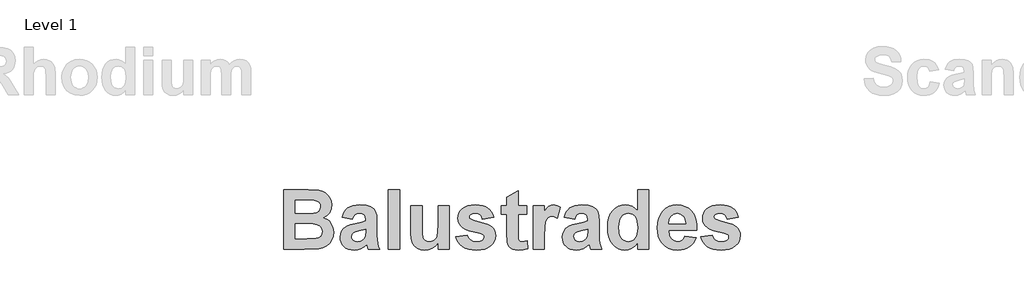
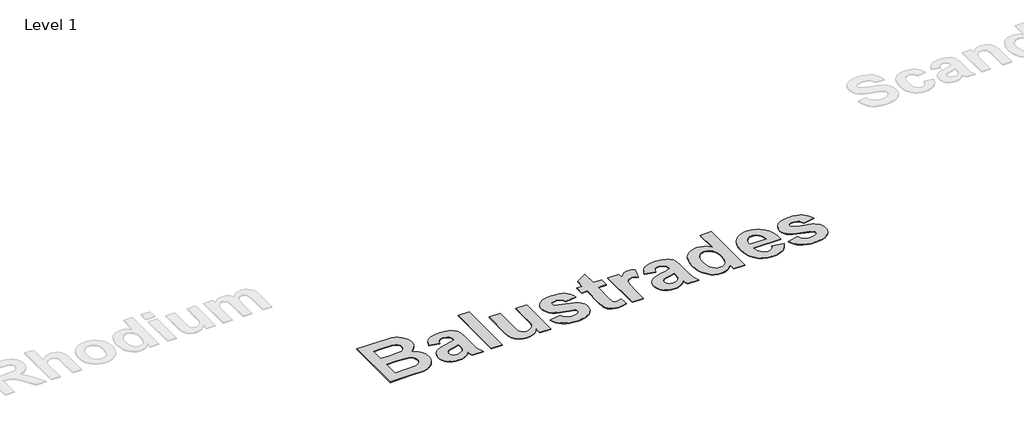
# One storey, part 3 of 13: 1 proxy.
"""IFC4 building model written with IfcOpenShell, lengths in millimetres."""

from ifc_helpers import new_model, si_unit, origin, origin_with_axes, place, context, project, spatial, polyline, outline, extrude, element, save

model = new_model("IFC4")

# Units and contexts
model_context = context("Model", 3, world=origin())
ifc_project = project(units=[si_unit("LENGTHUNIT", "METRE", prefix="MILLI")], contexts=[model_context])

# Site, building, storey
site = spatial("IfcSite", under=ifc_project)
building = spatial("IfcBuilding", under=site)
storey = spatial("IfcBuildingStorey", under=building, Name="Level 1", Elevation=0.0)

# Proxy
placement = place(None, origin())
element("IfcBuildingElementProxy", 1, Name="500mm", ObjectType="500mm", at=placement, inside=storey, context=model_context, shape_type="SweptSolid", body=[
    extrude(outline(polyline([(6253.1087653, -16540.2949086), (6458.3419003, -16540.2949086), (6511.494802, -16541.534988), (6549.1777137, -16545.2552261), (6577.5445292, -16552.9282171), (6602.7491423, -16566.0265554), (6624.4040282, -16584.441734), (6642.1216622, -16608.0652459), (6653.9334181, -16635.8895267), (6657.8706701, -16666.9070118), (6653.1738695, -16700.6991745), (6639.0834677, -16731.6391546), (6616.9325501, -16757.4638074), (6588.0542018, -16775.909988), (6624.5745391, -16793.8291348), (6639.2539786, -16806.2764314), (6651.5462653, -16821.0488769), (6668.1943308, -16855.7400971), (6673.743686, -16896.0736784), (6669.759931, -16929.5713223), (6657.8086661, -16962.1079046), (6638.9594598, -16990.9397499), (6614.2818804, -17013.3231824), (6583.4814092, -17028.8086735), (6546.2635272, -17036.9466943), (6423.9917018, -17040.2949086), (6253.1087653, -17040.2949086), (6253.1087653, -16540.2949086)]), holes=[polyline([(6348.3468606, -16826.0091943), (6348.3468606, -16952.9933213), (6449.041305, -16952.9933213), (6523.6940828, -16950.0171308), (6545.7364935, -16943.3672052), (6563.2526145, -16931.1059205), (6574.6923467, -16913.4812925), (6578.5055907, -16890.7413372), (6575.5604022, -16871.0240753), (6566.7248368, -16854.5310197), (6552.3399161, -16841.6651963), (6532.7466622, -16832.8296308), (6497.5284082, -16827.7143034), (6436.2684876, -16826.0091943), (6348.3468606, -16826.0091943)]), polyline([(6348.3468606, -16627.5964959), (6348.3468606, -16738.707607), (6421.0155114, -16738.707607), (6501.6206701, -16737.0955038), (6526.9957941, -16731.2981328), (6546.3255312, -16719.8584007), (6558.5558139, -16703.3343431), (6562.6325749, -16682.2839959), (6559.1138497, -16662.1482072), (6548.5576741, -16646.1356824), (6531.088056, -16634.9284652), (6506.8290034, -16629.2085991), (6412.0869399, -16627.5964959), (6348.3468606, -16627.5964959)])]), origin_with_axes(), (0.0, 0.0, 1.0), 5.0),
    extrude(outline(polyline([(6832.4738447, -16786.3266546), (6745.1722574, -16770.4536388), (6753.3761574, -16745.8690654), (6764.0989687, -16724.6947102), (6777.3406912, -16706.9305733), (6793.1013249, -16692.5766546), (6812.1791708, -16681.5089463), (6835.3725302, -16673.6034404), (6862.681403, -16668.8601368), (6894.1057891, -16667.2790356), (6947.212188, -16671.1077806), (6984.7555907, -16682.5940157), (7010.1152137, -16699.9551269), (7026.6702733, -16721.4084999), (7035.7848566, -16754.7511338), (7038.823051, -16807.7800277), (7038.823051, -16920.379234), (7040.0786314, -16962.1699086), (7043.8453725, -16991.3117737), (7051.0533338, -17014.9662876), (7062.6325749, -17040.2949086), (6967.3944796, -17040.2949086), (6958.4659082, -17010.0369721), (6955.1176939, -16998.0082023), (6930.4711165, -17019.942106), (6904.150432, -17035.644611), (6876.0936364, -17045.0847152), (6846.2387256, -17048.2314165), (6820.5187046, -17046.3209193), (6797.6741175, -17040.5894275), (6777.7049645, -17031.0369411), (6760.6112455, -17017.6634602), (6746.9122438, -17001.3757928), (6737.1272425, -16983.0807469), (6731.2562418, -16962.7783225), (6729.2992415, -16940.4685197), (6732.7869647, -16911.2646507), (6743.2501344, -16885.4089959), (6760.0067068, -16864.0486288), (6782.3746383, -16848.3306229), (6813.0976046, -16836.2708511), (6854.9192812, -16825.8851864), (6909.0797475, -16813.6394027), (6943.5849558, -16802.1996705), (6943.5849558, -16792.1550277), (6940.6242663, -16767.4154443), (6931.7421979, -16750.9843927), (6914.6756056, -16741.7768034), (6887.1613447, -16738.707607), (6867.4130808, -16741.3427757), (6852.5631304, -16749.2482816), (6841.3404122, -16763.7882122), (6832.4738447, -16786.3266546)]), holes=[polyline([(6943.5849558, -16873.6282419), (6889.8895193, -16886.8350872), (6859.5075749, -16894.4150723), (6841.7744399, -16901.9020515), (6828.8466126, -16915.4499185), (6824.5373368, -16932.2839959), (6827.994058, -16949.1645763), (6838.3642217, -16963.5959999), (6854.0667266, -16973.5011338), (6873.5204717, -16976.8028451), (6896.8649657, -16972.9585991), (6919.0313844, -16961.425861), (6932.3622376, -16948.4670316), (6940.1127336, -16932.9040356), (6943.5849558, -16890.8653451), (6943.5849558, -16873.6282419)])]), origin_with_axes(), (0.0, 0.0, 1.0), 5.0),
    extrude(outline(polyline([(7134.0611463, -17040.2949086), (7134.0611463, -16540.2949086), (7229.2992415, -16540.2949086), (7229.2992415, -17040.2949086), (7134.0611463, -17040.2949086)])), origin_with_axes(), (0.0, 0.0, 1.0), 5.0),
    extrude(outline(polyline([(7554.6960669, -17040.2949086), (7554.6960669, -16986.72348), (7532.7621631, -17012.3156179), (7504.9068804, -17031.800365), (7473.2073516, -17044.1236536), (7439.7407098, -17048.2314165), (7406.6615927, -17044.2011586), (7377.1167018, -17032.1103848), (7353.1831701, -17012.7186437), (7336.9381304, -16986.785484), (7327.6375352, -16951.9857568), (7324.5373368, -16905.9943134), (7324.5373368, -16675.2155435), (7419.775432, -16675.2155435), (7419.775432, -16843.9903451), (7421.0620143, -16906.4748441), (7424.9217614, -16938.9184205), (7432.2072276, -16954.5434205), (7443.7709677, -16966.5721904), (7459.3184628, -16974.2451814), (7478.5551939, -16976.8028451), (7501.3571532, -16973.3926269), (7521.6479518, -16963.1619721), (7537.6759776, -16947.8624929), (7547.6896185, -16929.2458015), (7552.9444548, -16894.3220663), (7554.6960669, -16830.1014562), (7554.6960669, -16675.2155435), (7649.9341622, -16675.2155435), (7649.9341622, -17040.2949086), (7554.6960669, -17040.2949086)])), origin_with_axes(), (0.0, 0.0, 1.0), 5.0),
    extrude(outline(polyline([(7705.4897177, -16937.1203054), (7800.727813, -16921.2472896), (7809.7958933, -16945.2428253), (7825.0953725, -16962.6659404), (7847.1532842, -16973.2686189), (7876.4966622, -16976.8028451), (7908.3356999, -16973.4236288), (7931.1841622, -16963.28598), (7940.4847574, -16952.2492737), (7943.5849558, -16937.988361), (7941.9418506, -16928.12973), (7937.0125352, -16920.1312181), (7925.7588149, -16913.5897995), (7905.8865431, -16907.6064165), (7813.9036562, -16883.238857), (7783.3744523, -16871.8456279), (7763.1534082, -16860.9794324), (7744.869988, -16844.7886462), (7731.8104022, -16825.7301765), (7723.9746507, -16803.8040232), (7721.3627336, -16779.0101864), (7723.6026269, -16756.3244845), (7730.322307, -16735.5144027), (7741.5217738, -16716.5799408), (7757.2010272, -16699.5210991), (7777.5925823, -16685.4151963), (7802.9289538, -16675.3395515), (7833.2101418, -16669.2941646), (7868.4361463, -16667.2790356), (7901.9725426, -16668.9066398), (7930.9051443, -16673.7894523), (7955.2339513, -16681.9274731), (7974.9589637, -16693.3207023), (7991.025742, -16707.9071358), (8004.3798467, -16725.6247697), (8015.0212777, -16746.473604), (8022.9500352, -16770.4536388), (7927.7119399, -16786.3266546), (7920.7054915, -16765.9583511), (7909.3587653, -16750.9843927), (7892.9897177, -16741.7768034), (7870.916305, -16738.707607), (7843.7895689, -16741.3117737), (7825.6534082, -16749.1242737), (7818.8639737, -16757.6808213), (7816.6008288, -16768.4695118), (7818.8639737, -16777.801109), (7825.6534082, -16785.706615), (7852.7956453, -16797.0843431), (7909.916801, -16812.3683213), (7971.1302187, -16831.6205534), (7993.5640295, -16842.7580162), (8010.5492415, -16854.9030435), (8022.9190332, -16869.0011958), (8031.7545987, -16885.6260098), (8037.055938, -16904.7774855), (8038.823051, -16926.4556229), (8036.2615121, -16950.5635408), (8028.5768953, -16972.9120961), (8015.7692006, -16993.5012888), (7997.838428, -17012.3311189), (7974.885334, -17028.0374991), (7947.0106751, -17039.2563421), (7914.2144511, -17045.9876479), (7876.4966622, -17048.2314165), (7841.9410756, -17046.363547), (7811.1909826, -17040.7599384), (7784.2463831, -17031.4205907), (7761.1072772, -17018.3455038), (7741.7039104, -17002.0617117), (7725.9665282, -16983.0962479), (7713.8951307, -16961.4491125), (7705.4897177, -16937.1203054)])), origin_with_axes(), (0.0, 0.0, 1.0), 5.0),
    extrude(outline(polyline([(8300.727813, -16675.2155435), (8300.727813, -16746.644115), (8229.2992415, -16746.644115), (8229.2992415, -16903.2661388), (8231.4693804, -16958.6356824), (8241.3280114, -16971.6565157), (8260.0532098, -16976.8028451), (8304.6960669, -16967.6262578), (8308.6643209, -17035.3345911), (8271.9269697, -17045.0072102), (8230.6633288, -17048.2314165), (8205.3037058, -17045.9992737), (8182.5482495, -17039.3028451), (8163.96256, -17029.0721904), (8151.1122376, -17016.2373689), (8142.6331949, -16999.5893034), (8137.1613447, -16977.9189165), (8134.0611463, -16908.59848), (8134.0611463, -16746.644115), (8086.4420987, -16746.644115), (8086.4420987, -16675.2155435), (8134.0611463, -16675.2155435), (8134.0611463, -16603.7869721), (8229.2992415, -16548.2314165), (8229.2992415, -16675.2155435), (8300.727813, -16675.2155435)])), origin_with_axes(), (0.0, 0.0, 1.0), 5.0),
    extrude(outline(polyline([(8451.5214637, -17040.2949086), (8356.2833685, -17040.2949086), (8356.2833685, -16675.2155435), (8451.5214637, -16675.2155435), (8451.5214637, -16726.0587975), (8471.6417514, -16696.1573838), (8489.5919003, -16678.6257618), (8507.635055, -16670.1157171), (8528.0343606, -16667.2790356), (8557.7652633, -16672.301357), (8586.4420987, -16687.3683213), (8558.6643209, -16778.0181229), (8535.7228526, -16766.3923788), (8514.5174955, -16762.5171308), (8496.2108239, -16765.2298044), (8480.9733487, -16773.3678253), (8468.7275649, -16788.5742985), (8459.3959677, -16812.4923292), (8453.4900897, -16856.2671308), (8451.5214637, -16931.0439165), (8451.5214637, -17040.2949086)])), origin_with_axes(), (0.0, 0.0, 1.0), 5.0),
    extrude(outline(polyline([(8705.4897177, -16786.3266546), (8618.1881304, -16770.4536388), (8626.3920305, -16745.8690654), (8637.1148417, -16724.6947102), (8650.3565642, -16706.9305733), (8666.1171979, -16692.5766546), (8685.1950439, -16681.5089463), (8708.3884032, -16673.6034404), (8735.697276, -16668.8601368), (8767.1216622, -16667.2790356), (8820.228061, -16671.1077806), (8857.7714637, -16682.5940157), (8883.1310868, -16699.9551269), (8899.6861463, -16721.4084999), (8908.8007296, -16754.7511338), (8911.8389241, -16807.7800277), (8911.8389241, -16920.379234), (8913.0945044, -16962.1699086), (8916.8612455, -16991.3117737), (8924.0692068, -17014.9662876), (8935.6484479, -17040.2949086), (8840.4103526, -17040.2949086), (8831.4817812, -17010.0369721), (8828.1335669, -16998.0082023), (8803.4869895, -17019.942106), (8777.166305, -17035.644611), (8749.1095094, -17045.0847152), (8719.2545987, -17048.2314165), (8693.5345776, -17046.3209193), (8670.6899905, -17040.5894275), (8650.7208375, -17031.0369411), (8633.6271185, -17017.6634602), (8619.9281168, -17001.3757928), (8610.1431155, -16983.0807469), (8604.2721148, -16962.7783225), (8602.3151145, -16940.4685197), (8605.8028378, -16911.2646507), (8616.2660074, -16885.4089959), (8633.0225798, -16864.0486288), (8655.3905114, -16848.3306229), (8686.1134776, -16836.2708511), (8727.9351542, -16825.8851864), (8782.0956205, -16813.6394027), (8816.6008288, -16802.1996705), (8816.6008288, -16792.1550277), (8813.6401393, -16767.4154443), (8804.7580709, -16750.9843927), (8787.6914786, -16741.7768034), (8760.1772177, -16738.707607), (8740.4289538, -16741.3427757), (8725.5790034, -16749.2482816), (8714.3562852, -16763.7882122), (8705.4897177, -16786.3266546)]), holes=[polyline([(8816.6008288, -16873.6282419), (8762.9053923, -16886.8350872), (8732.5234479, -16894.4150723), (8714.790313, -16901.9020515), (8701.8624856, -16915.4499185), (8697.5532098, -16932.2839959), (8701.009931, -16949.1645763), (8711.3800947, -16963.5959999), (8727.0825997, -16973.5011338), (8746.5363447, -16976.8028451), (8769.8808387, -16972.9585991), (8792.0472574, -16961.425861), (8805.3781106, -16948.4670316), (8813.1286066, -16932.9040356), (8816.6008288, -16890.8653451), (8816.6008288, -16873.6282419)])]), origin_with_axes(), (0.0, 0.0, 1.0), 5.0),
    extrude(outline(polyline([(9332.4738447, -17040.2949086), (9237.2357495, -17040.2949086), (9237.2357495, -16987.7155435), (9213.9997624, -17014.4237529), (9186.9505312, -17033.2884602), (9157.8861711, -17044.4956775), (9128.6047971, -17048.2314165), (9099.7303241, -17045.0692142), (9073.0027385, -17035.582607), (9048.4220404, -17019.7715951), (9025.9882296, -16997.6361784), (9007.2979084, -16969.8351492), (8993.947679, -16937.0272995), (8985.9375414, -16899.2126293), (8983.2674955, -16856.3911388), (8985.9336661, -16812.8488521), (8993.932178, -16774.8559205), (9007.2630312, -16742.4123441), (9025.9262256, -16715.5181229), (9048.666181, -16694.4135222), (9074.2273169, -16679.3388074), (9102.6096334, -16670.2939785), (9133.8131304, -16667.2790356), (9162.6914786, -16670.4024855), (9189.5546979, -16679.7728352), (9214.4027881, -16695.3900847), (9237.2357495, -16717.254234), (9237.2357495, -16540.2949086), (9332.4738447, -16540.2949086), (9332.4738447, -17040.2949086)]), holes=[polyline([(9078.5055907, -16850.8107816), (9082.4738447, -16902.6460991), (9087.4341622, -16922.332359), (9094.3786066, -16937.8643531), (9106.9886636, -16954.8999433), (9121.8773665, -16967.0682221), (9139.0447152, -16974.3691894), (9158.4907098, -16976.8028451), (9174.3017217, -16974.9776033), (9188.8726542, -16969.5018779), (9202.2035074, -16960.3756688), (9214.2942812, -16947.5989761), (9224.3311736, -16931.1950512), (9231.5003824, -16911.1871457), (9235.8019077, -16887.5752595), (9237.2357495, -16860.3593927), (9235.8445354, -16830.2603414), (9231.6708933, -16804.6953302), (9224.7148231, -16783.6643593), (9214.9763249, -16767.1674284), (9203.0599372, -16754.7162566), (9189.5701989, -16745.8225624), (9174.5071098, -16740.4863459), (9157.8706701, -16738.707607), (9141.6876344, -16740.4669696), (9126.868686, -16745.7450574), (9113.4138249, -16754.5418704), (9101.323051, -16766.8574086), (9091.3404122, -16782.66067), (9084.2099558, -16801.9206527), (9079.931682, -16824.6373565), (9078.5055907, -16850.8107816)])]), origin_with_axes(), (0.0, 0.0, 1.0), 5.0),
    extrude(outline(polyline([(9634.0611463, -16929.1837975), (9729.2992415, -16945.0568134), (9719.0065828, -16968.784957), (9706.1097574, -16989.4981576), (9690.6087653, -17007.1964153), (9672.5036066, -17021.87973), (9651.8795367, -17033.4085929), (9628.821811, -17041.6434949), (9603.3304295, -17046.5844361), (9575.4053923, -17048.2314165), (9532.2738819, -17044.348418), (9495.1412554, -17032.6994225), (9464.0075129, -17013.2844299), (9438.8726542, -16986.1034404), (9423.5731751, -16959.6044944), (9412.6449756, -16929.8348392), (9406.088056, -16896.7944746), (9403.9024161, -16860.4834007), (9406.8011016, -16817.6696606), (9415.4971582, -16779.754234), (9429.9905858, -16746.7371209), (9450.2813844, -16718.6183213), (9475.0054667, -16696.1573838), (9502.7987455, -16680.113857), (9533.6612207, -16670.4877409), (9567.5928923, -16667.2790356), (9605.2990555, -16670.5729964), (9638.8044499, -16680.4548788), (9668.1090754, -16696.9246829), (9693.212932, -16719.9824086), (9713.2169623, -16749.8450698), (9727.2221086, -16786.7296804), (9735.228371, -16830.6362405), (9737.2357495, -16881.5647499), (9499.1405114, -16881.5647499), (9505.2479022, -16921.6813173), (9512.1380932, -16937.97286), (9521.5859479, -16951.7532419), (9532.9714265, -16962.7124433), (9545.6744895, -16970.5404443), (9559.6951369, -16975.2372449), (9575.0333685, -16976.8028451), (9595.0296483, -16973.9816646), (9611.6157098, -16965.5181229), (9624.6675451, -16950.7921804), (9634.0611463, -16929.1837975)]), holes=[polyline([(9641.9976542, -16826.0091943), (9636.2002832, -16788.3572846), (9629.697617, -16773.379451), (9620.7922971, -16760.9670316), (9598.4088645, -16744.2724632), (9571.6851542, -16738.707607), (9543.4733487, -16744.566982), (9520.5938844, -16762.145107), (9511.8203229, -16774.972178), (9505.5889241, -16789.8918828), (9500.7526145, -16826.0091943), (9641.9976542, -16826.0091943)])]), origin_with_axes(), (0.0, 0.0, 1.0), 5.0),
    extrude(outline(polyline([(9768.9817812, -16937.1203054), (9864.2198764, -16921.2472896), (9873.2879568, -16945.2428253), (9888.587436, -16962.6659404), (9910.6453477, -16973.2686189), (9939.9887256, -16976.8028451), (9971.8277633, -16973.4236288), (9994.6762256, -16963.28598), (10003.9768209, -16952.2492737), (10007.0770193, -16937.988361), (10005.4339141, -16928.12973), (10000.5045987, -16920.1312181), (9989.2508784, -16913.5897995), (9969.3786066, -16907.6064165), (9877.3957197, -16883.238857), (9846.8665158, -16871.8456279), (9826.6454717, -16860.9794324), (9808.3620515, -16844.7886462), (9795.3024657, -16825.7301765), (9787.4667142, -16803.8040232), (9784.8547971, -16779.0101864), (9787.0946904, -16756.3244845), (9793.8143705, -16735.5144027), (9805.0138373, -16716.5799408), (9820.6930907, -16699.5210991), (9841.0846458, -16685.4151963), (9866.4210173, -16675.3395515), (9896.7022053, -16669.2941646), (9931.9282098, -16667.2790356), (9965.4646061, -16668.9066398), (9994.3972078, -16673.7894523), (10018.7260148, -16681.9274731), (10038.4510272, -16693.3207023), (10054.5178055, -16707.9071358), (10067.8719102, -16725.6247697), (10078.5133412, -16746.473604), (10086.4420987, -16770.4536388), (9991.2040034, -16786.3266546), (9984.197555, -16765.9583511), (9972.8508288, -16750.9843927), (9956.4817812, -16741.7768034), (9934.4083685, -16738.707607), (9907.2816324, -16741.3117737), (9889.1454717, -16749.1242737), (9882.3560372, -16757.6808213), (9880.0928923, -16768.4695118), (9882.3560372, -16777.801109), (9889.1454717, -16785.706615), (9916.2877088, -16797.0843431), (9973.4088645, -16812.3683213), (10034.6222822, -16831.6205534), (10057.056093, -16842.7580162), (10074.041305, -16854.9030435), (10086.4110967, -16869.0011958), (10095.2466622, -16885.6260098), (10100.5480014, -16904.7774855), (10102.3151145, -16926.4556229), (10099.7535756, -16950.5635408), (10092.0689588, -16972.9120961), (10079.2612641, -16993.5012888), (10061.3304915, -17012.3311189), (10038.3773975, -17028.0374991), (10010.5027385, -17039.2563421), (9977.7065146, -17045.9876479), (9939.9887256, -17048.2314165), (9905.4331391, -17046.363547), (9874.6830461, -17040.7599384), (9847.7384466, -17031.4205907), (9824.5993407, -17018.3455038), (9805.1959739, -17002.0617117), (9789.4585917, -16983.0962479), (9777.3871942, -16961.4491125), (9768.9817812, -16937.1203054)])), origin_with_axes(), (0.0, 0.0, 1.0), 5.0),
])

save(model, "model.ifc")
